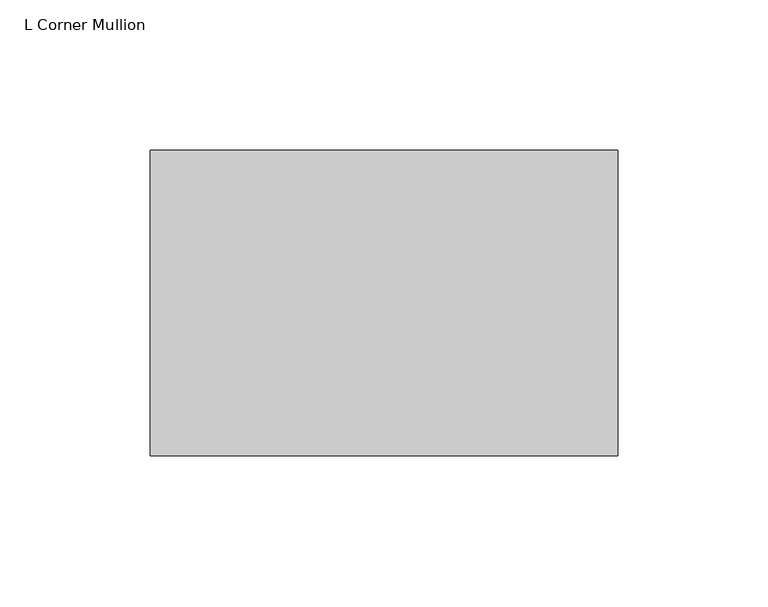
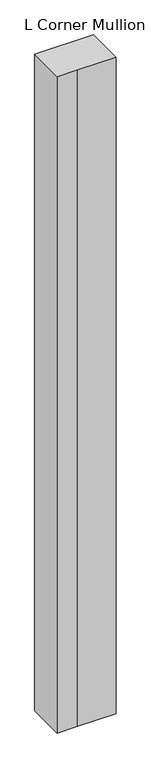
"""IFC4 building model written with IfcOpenShell, lengths in millimetres: member geometry, L Corner Mullion."""

from ifc_helpers import new_model, si_unit, frame, origin, place, context, project, spatial, polyline, outline, extrude, source, transform, mapped, element, save


def l_corner_mullion_8d56b4d1(model_context):
    return source(origin(), model_context, "Body", "SweptSolid", [
        extrude(outline(polyline([(-73.025, -73.025), (-127.0, -73.025), (-127.0, 28.575), (28.575, 28.575), (28.575, -73.025), (-73.025, -73.025)])), frame((0.0, 0.0, -1828.8), z_axis=(0.0, 0.0, 1.0), x_axis=(1.0, 0.0, 0.0)), (0.0, 0.0, 1.0), 1828.8),
    ])


if __name__ == "__main__":
    model = new_model("IFC4")
    model_context = context("Model", 3, world=origin())
    ifc_project = project(units=[si_unit("LENGTHUNIT", "METRE", prefix="MILLI")], contexts=[model_context])
    site = spatial("IfcSite", under=ifc_project)
    building = spatial("IfcBuilding", under=site)
    placement = place(None, origin())
    l_corner_mullion_shape = l_corner_mullion_8d56b4d1(model_context)
    element("IfcMember", 1, ObjectType="L Corner Mullion", at=placement, inside=building, context=model_context, shape_type="MappedRepresentation", body=[
        mapped(l_corner_mullion_shape, transform((0.0, 0.0, 0.0), x_axis=(1.0, 0.0, 0.0), y_axis=(0.0, 1.0, 0.0), z_axis=(0.0, 0.0, 1.0))),
    ])
    save(model, "model.ifc")
